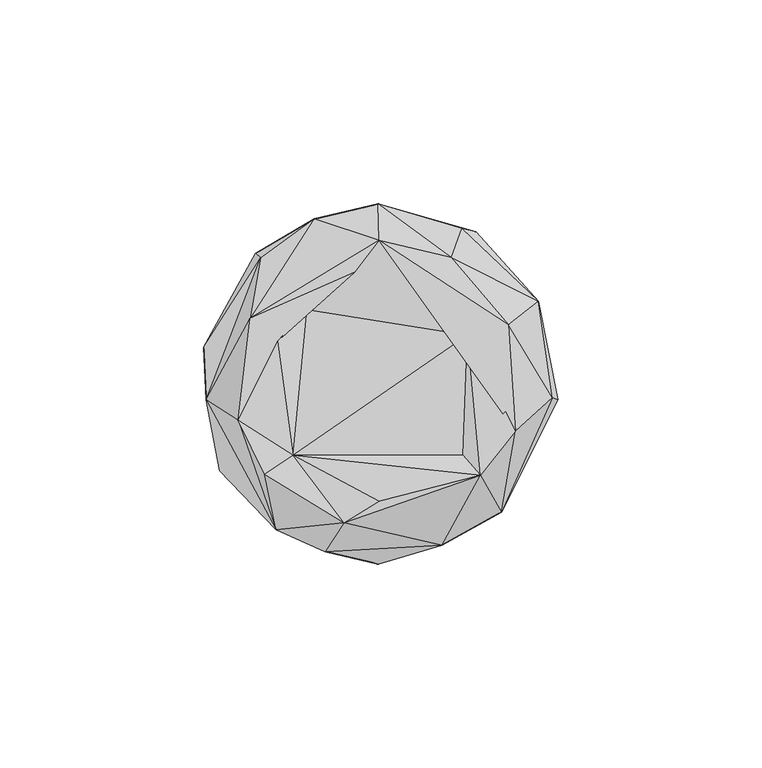
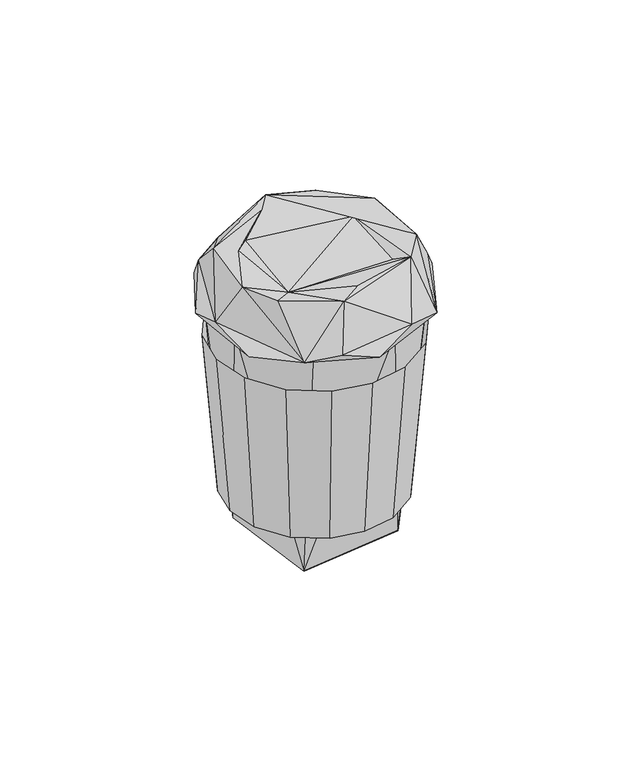
"""IFC4 building model written with IfcOpenShell, lengths in millimetres: furniture geometry."""

from ifc_helpers import new_model, si_unit, origin, place, context, project, spatial, triangles, source, transform, mapped, element, save


def furniture_76811549(model_context):
    return source(origin(), model_context, "Body", "Tessellation", [
        triangles([(-0.0024362, 44.078287, 97.8707248), (0.297566, 35.1355257, 117.6438457), (17.8909785, 30.9355322, 115.9438495), (20.487687, 38.0782898, 100.8707325), (-8.2991272, -34.1637577, 117.6438457), (0.1975796, -28.8637587, 117.9438455), (-20.7958373, -17.57825, 115.7438436), (-27.7925441, -22.2210092, 117.4438488), (25.1876999, -22.5209977, 117.7438487), (-34.3892504, -9.0782539, 117.5438427), (20.8876967, -17.5782421, 115.0438499), (33.6844061, -11.6782388, 117.5438427), (21.9876909, 11.850025, 115.1438529), (-24.6958422, 10.3500155, 117.7438487), (-31.3925492, 15.9500109, 117.6438457), (-17.395845, 18.0927705, 114.943847), (31.9843963, 14.3500268, 117.5438427), (-5.7024317, 27.2355287, 117.8438516), (-24.995833, -35.9065156, 98.6707305), (-42.1892535, -4.0355007, 102.3707227), (-38.8892505, -21.4210103, 97.2707251), (-12.9991259, -41.3065176, 100.9707264), (-0.0024178, -44.3065116, 97.2707251), (15.6909935, -39.7065108, 102.8707285), (30.2844115, -31.5637506, 97.7707309), (42.7811051, -3.4354834, 101.4707231), (44.1811059, -4.0354825, 97.1707222), (-42.7892532, 8.8500111, 98.6707305), (-28.7925535, 30.8355247, 102.8707285), (39.3811037, 20.1927809, 97.9707278), (-30.0925536, 31.9355212, 97.2707251), (23.9876869, 37.278291, 97.1707222), (-15.6991428, 40.3782857, 101.7707321)], [[1, 2, 3], [1, 3, 4], [5, 6, 7], [5, 7, 8], [5, 9, 6], [6, 9, 7], [8, 7, 10], [9, 11, 7], [9, 12, 13], [9, 13, 11], [10, 7, 14], [10, 14, 15], [7, 11, 13], [7, 13, 16], [7, 16, 14], [12, 17, 2], [12, 2, 13], [15, 14, 18], [15, 18, 2], [14, 16, 18], [13, 2, 16], [17, 3, 2], [16, 2, 18], [19, 20, 21], [19, 10, 20], [19, 22, 5], [19, 5, 8], [19, 23, 22], [19, 8, 10], [22, 23, 24], [22, 24, 5], [23, 25, 24], [24, 25, 9], [24, 9, 5], [25, 26, 12], [25, 27, 26], [25, 12, 9], [21, 20, 28], [20, 10, 15], [20, 15, 29], [20, 29, 28], [26, 27, 30], [26, 30, 17], [26, 17, 12], [28, 29, 31], [30, 4, 3], [30, 32, 4], [30, 3, 17], [31, 33, 1], [31, 29, 33], [29, 15, 33], [33, 15, 2], [33, 2, 1], [1, 4, 32]], closed=False),
        triangles([(-7.1e-06, 34.1099047, 17.5949357), (-8.3e-06, 39.6099051, 83.4661808), (12.5999929, 31.7099104, 17.5949357), (14.6049418, 36.8099102, 83.4661808), (-36.8148495, 3.5e-06, 50.5305594), (-39.6148467, 2.9e-06, 83.4661808), (-36.8148541, 14.6049531, 83.4661808), (-36.814845, -14.609897, 83.4661808), (36.8098943, 1.89e-05, 50.5305594), (36.8098921, 14.6049679, 83.4661808), (39.609896, 1.94e-05, 83.4661808), (36.8098989, -14.6098822, 83.4661808), (-12.5049439, -31.7148406, 17.5949357), (7.1e-06, -34.1148372, 17.5949357), (-14.6098936, -36.8148427, 83.4661808), (-24.1098951, -24.1098951, 17.5949357), (8.3e-06, -39.6148376, 83.4661808), (12.6000053, -31.7148338, 17.5949357), (14.6049565, -36.8148359, 83.4661808), (24.1049558, -24.1098837, 17.5949357), (28.0099, -28.0148348, 83.4661808), (-28.0148461, -28.0148461, 83.4661808), (-31.7148451, -12.5049451, 17.5949357), (31.709899, -12.5049326, 17.5949357), (-34.1148485, 4.1e-06, 17.5949357), (34.1098934, 1.83e-05, 17.5949357), (-31.714852, 12.6000042, 17.5949357), (-24.1099064, 24.1049558, 17.5949357), (31.70989, 12.6000167, 17.5949357), (24.1049444, 24.1049649, 17.5949357), (28.0098887, 28.0099114, 83.4661808), (-28.0148575, 28.0099, 83.4661808), (-12.5049564, 31.7099013, 17.5949357), (-14.6099083, 36.8099034, 83.4661808)], [[1, 2, 3], [3, 2, 4], [5, 6, 7], [5, 8, 6], [9, 10, 11], [9, 11, 12], [13, 14, 15], [13, 15, 16], [14, 17, 15], [14, 18, 19], [14, 19, 17], [18, 20, 21], [18, 21, 19], [16, 22, 23], [16, 15, 22], [20, 24, 12], [20, 12, 21], [23, 5, 25], [23, 22, 8], [23, 8, 5], [24, 26, 9], [24, 9, 12], [25, 5, 27], [27, 5, 7], [27, 7, 28], [29, 30, 31], [29, 9, 26], [29, 10, 9], [29, 31, 10], [28, 7, 32], [28, 32, 33], [30, 3, 4], [30, 4, 31], [33, 32, 34], [33, 34, 1], [1, 34, 2]], closed=False),
        triangles([(-17.6597233, -22.6597224, 0.0), (17.6199058, 22.719925, 0.0), (22.7199136, -17.6597131, 0.0), (-38.0995458, -9.9597289, 100.0142804), (-22.6597338, 17.6199172, 0.0), (38.0597272, 9.9199318, 100.0142804), (33.6597346, -20.0597108, 100.0142804), (9.9199205, -38.0995345, 100.0142804), (-33.6995532, 20.1199156, 100.0142804), (-9.9597391, 38.0597386, 100.0142804), (20.1199043, 33.659746, 100.0142804), (-20.0597222, -33.6995419, 100.0142804)], [[1, 2, 3], [1, 4, 5], [3, 6, 7], [3, 2, 6], [3, 7, 8], [5, 4, 9], [5, 9, 10], [5, 10, 2], [2, 11, 6], [2, 10, 11], [1, 3, 8], [1, 8, 12], [1, 12, 4], [1, 5, 2]], closed=False),
    ])


if __name__ == "__main__":
    model = new_model("IFC4")
    model_context = context("Model", 3, world=origin())
    ifc_project = project(units=[si_unit("LENGTHUNIT", "METRE", prefix="MILLI")], contexts=[model_context])
    site = spatial("IfcSite", under=ifc_project)
    building = spatial("IfcBuilding", under=site)
    placement = place(None, origin())
    furniture_shape = furniture_76811549(model_context)
    element("IfcFurniture", 1, at=placement, inside=building, context=model_context, shape_type="MappedRepresentation", body=[
        mapped(furniture_shape, transform((0.0, 0.0, 0.0), x_axis=(1.0, 0.0, 0.0), y_axis=(0.0, 1.0, 0.0), z_axis=(0.0, 0.0, 1.0))),
    ])
    save(model, "model.ifc")
